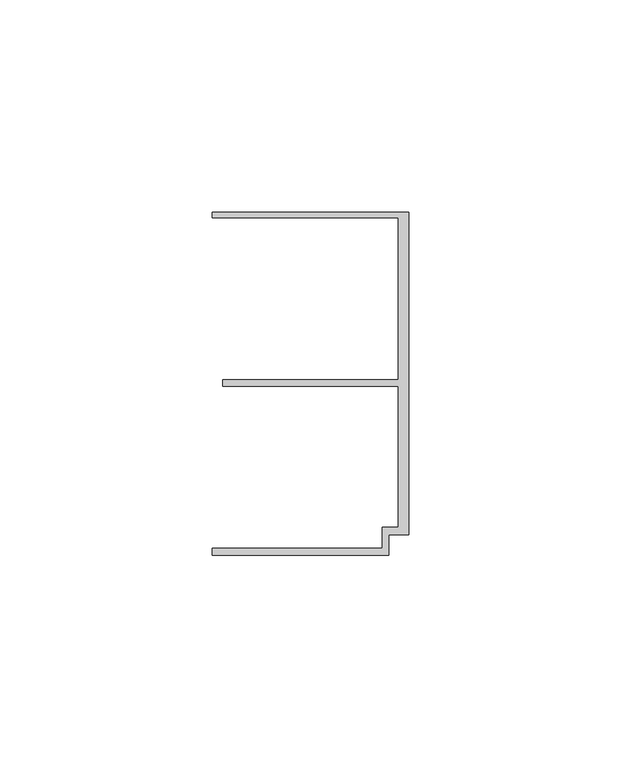
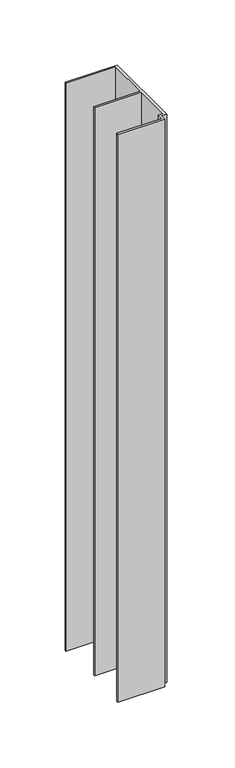
"""IFC4 building model written with IfcOpenShell, lengths in millimetres: member geometry."""

from ifc_helpers import new_model, si_unit, frame, origin, place, context, project, spatial, polyline, outline, extrude, source, transform, mapped, element, save


def member_2d43993f(model_context):
    return source(origin(), model_context, "Body", "SweptSolid", [
        extrude(outline(polyline([(-6.2, -33.95), (-2.4, -33.95), (-2.4, -0.75), (-43.8, -0.75), (-43.8, 0.75), (-2.4, 0.75), (-2.4, 38.95), (-46.3, 38.95), (-46.3, 40.25), (0.0, 40.25), (0.0, -35.75), (-4.6999992, -35.75), (-4.6999992, -40.65), (-46.3, -40.65), (-46.3, -38.95), (-6.2, -38.95), (-6.2, -33.95)])), frame((0.0, 0.0, -533.4809023), z_axis=(0.0, 0.0, 1.0), x_axis=(1.0, 0.0, 0.0)), (0.0, 0.0, 1.0), 533.4809023),
    ])


if __name__ == "__main__":
    model = new_model("IFC4")
    model_context = context("Model", 3, world=origin())
    ifc_project = project(units=[si_unit("LENGTHUNIT", "METRE", prefix="MILLI")], contexts=[model_context])
    site = spatial("IfcSite", under=ifc_project)
    building = spatial("IfcBuilding", under=site)
    placement = place(None, origin())
    member_shape = member_2d43993f(model_context)
    element("IfcMember", 1, at=placement, inside=building, context=model_context, shape_type="MappedRepresentation", body=[
        mapped(member_shape, transform((0.0, 0.0, 0.0), x_axis=(1.0, 0.0, 0.0), y_axis=(0.0, 1.0, 0.0), z_axis=(0.0, 0.0, 1.0))),
    ])
    save(model, "model.ifc")
